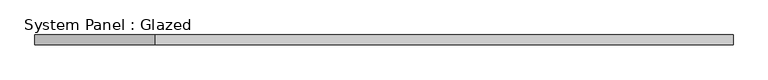
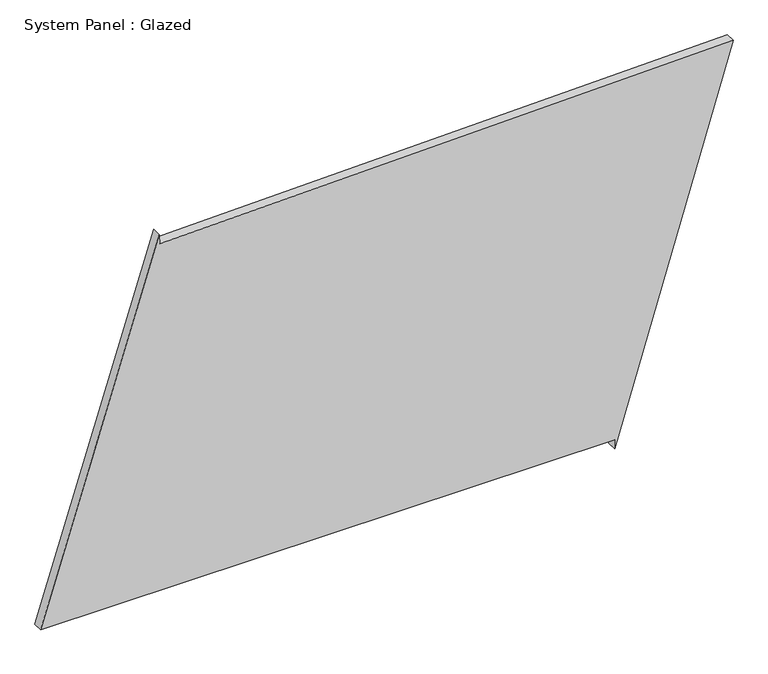
"""IFC4 building model written with IfcOpenShell, lengths in millimetres: plate geometry, System Panel : Glazed."""

from ifc_helpers import new_model, si_unit, frame, origin, place, context, project, spatial, polyline, outline, extrude, source, transform, mapped, element, save


def system_panel_glazed_19e0b26a(model_context):
    return source(origin(), model_context, "Body", "SweptSolid", [
        extrude(outline(polyline([(25.0, 587.8968351), (0.0, 587.8968351), (1006.9301801, 893.7817149), (970.6357757, -586.60233), (995.6282656, -587.215068), (25.0, -893.7817149), (25.0, 587.8968351)])), frame((0.0, -49.5, 0.0), z_axis=(0.0, 1.0, 0.0), x_axis=(0.0, 0.0, 1.0)), (0.0, 0.0, 1.0), 25.0),
    ])


if __name__ == "__main__":
    model = new_model("IFC4")
    model_context = context("Model", 3, world=origin())
    ifc_project = project(units=[si_unit("LENGTHUNIT", "METRE", prefix="MILLI")], contexts=[model_context])
    site = spatial("IfcSite", under=ifc_project)
    building = spatial("IfcBuilding", under=site)
    placement = place(None, origin())
    system_panel_glazed_shape = system_panel_glazed_19e0b26a(model_context)
    element("IfcPlate", 1, ObjectType="System Panel : Glazed", at=placement, inside=building, context=model_context, shape_type="MappedRepresentation", body=[
        mapped(system_panel_glazed_shape, transform((0.0, 0.0, 0.0), x_axis=(1.0, 0.0, 0.0), y_axis=(0.0, 1.0, 0.0), z_axis=(0.0, 0.0, 1.0))),
    ])
    save(model, "model.ifc")
